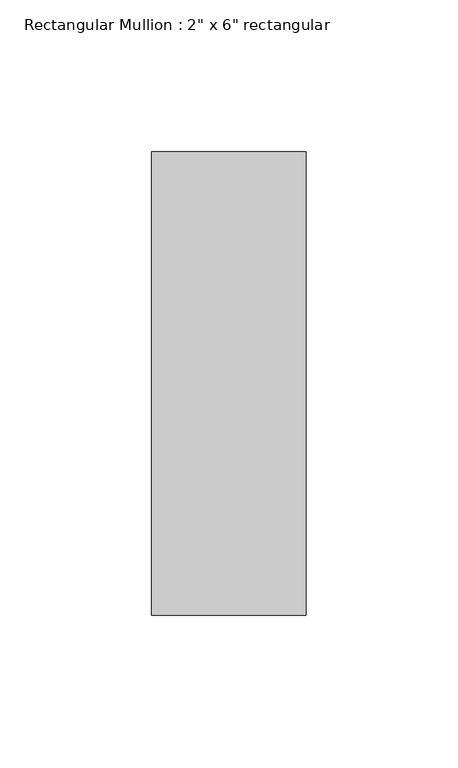
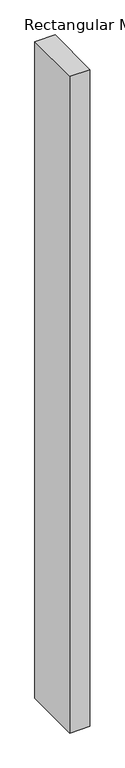
"""IFC4 building model written with IfcOpenShell, lengths in millimetres: member geometry."""

from ifc_helpers import new_model, si_unit, frame, origin, place, context, project, spatial, polyline, outline, extrude, source, transform, mapped, element, save


def member_c639398a(model_context):
    return source(origin(), model_context, "Body", "SweptSolid", [
        extrude(outline(polyline([(25.4, 76.2), (25.4, -76.2), (-25.4, -76.2), (-25.4, 76.2), (25.4, 76.2)])), frame((0.0, 0.0, -1752.6), z_axis=(0.0, 0.0, 1.0), x_axis=(1.0, 0.0, 0.0)), (0.0, 0.0, 1.0), 1752.6),
    ])


if __name__ == "__main__":
    model = new_model("IFC4")
    model_context = context("Model", 3, world=origin())
    ifc_project = project(units=[si_unit("LENGTHUNIT", "METRE", prefix="MILLI")], contexts=[model_context])
    site = spatial("IfcSite", under=ifc_project)
    building = spatial("IfcBuilding", under=site)
    placement = place(None, origin())
    member_shape = member_c639398a(model_context)
    element("IfcMember", 1, ObjectType="Rectangular Mullion : 2\" x 6\" rectangular", at=placement, inside=building, context=model_context, shape_type="MappedRepresentation", body=[
        mapped(member_shape, transform((0.0, 0.0, 0.0), x_axis=(1.0, 0.0, 0.0), y_axis=(0.0, 1.0, 0.0), z_axis=(0.0, 0.0, 1.0))),
    ])
    save(model, "model.ifc")
